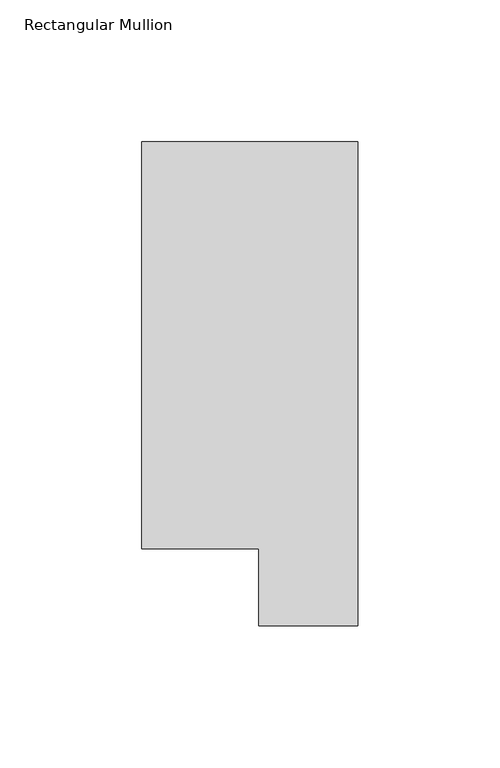
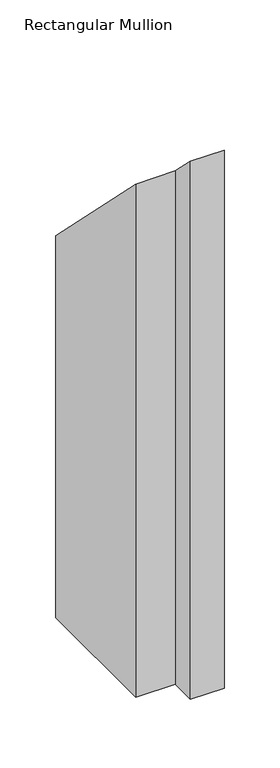
"""IFC4 building model written with IfcOpenShell, lengths in millimetres: member geometry, Rectangular Mullion."""

from ifc_helpers import new_model, si_unit, origin, place, context, project, spatial, faceted_brep, source, transform, mapped, element, save


def rectangular_mullion_8432ce5c(model_context):
    return source(origin(), model_context, "Body", "Brep", [
        faceted_brep([(0.0, 190.2801312, -609.56825), (0.0, 19.5667312, -609.56825), (-34.9123, 19.5667312, -609.56825), (-34.9123, 46.7447302, -609.56825), (-76.2, 46.7447302, -609.56825), (-76.2, 190.2801312, -609.56825), (-76.2, 190.2801312, -190.2801312), (0.0, 190.2801312, -190.2801312), (-76.2, 46.7447302, -46.7447302), (-34.9123, 46.7447302, -46.7447302), (-34.9123, 19.5667312, -19.5667312), (0.0, 19.5667312, -19.5667312)], [[[0, 1, 2, 3, 4, 5]], [[6, 7, 0, 5]], [[8, 6, 5, 4]], [[9, 8, 4, 3]], [[10, 9, 3, 2]], [[11, 10, 2, 1]], [[7, 11, 1, 0]], [[7, 6, 8, 9, 10, 11]]]),
    ])


if __name__ == "__main__":
    model = new_model("IFC4")
    model_context = context("Model", 3, world=origin())
    ifc_project = project(units=[si_unit("LENGTHUNIT", "METRE", prefix="MILLI")], contexts=[model_context])
    site = spatial("IfcSite", under=ifc_project)
    building = spatial("IfcBuilding", under=site)
    placement = place(None, origin())
    rectangular_mullion_shape = rectangular_mullion_8432ce5c(model_context)
    element("IfcMember", 1, ObjectType="Rectangular Mullion", at=placement, inside=building, context=model_context, shape_type="MappedRepresentation", body=[
        mapped(rectangular_mullion_shape, transform((0.0, 0.0, 0.0), x_axis=(1.0, 0.0, 0.0), y_axis=(0.0, 1.0, 0.0), z_axis=(0.0, 0.0, 1.0))),
    ])
    save(model, "model.ifc")
